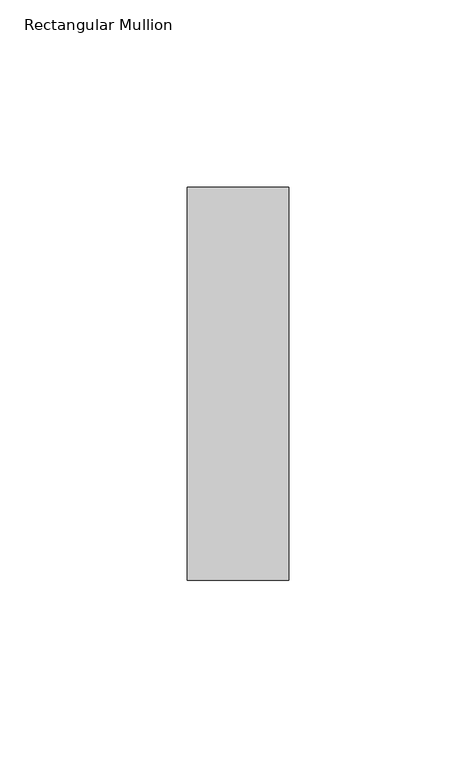
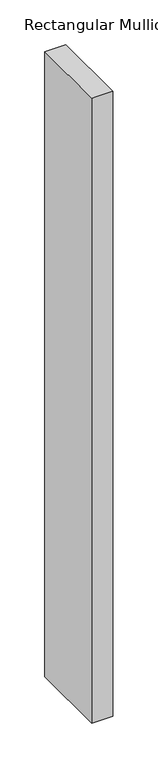
"""IFC4 building model written with IfcOpenShell, lengths in millimetres: member geometry, Rectangular Mullion."""

from ifc_helpers import new_model, si_unit, frame, origin, place, context, project, spatial, polyline, outline, extrude, source, transform, mapped, element, save


def rectangular_mullion_c3c1da6f(model_context):
    return source(origin(), model_context, "Body", "SweptSolid", [
        extrude(outline(polyline([(-27.0, 52.3975), (0.0, 52.3975), (0.0, -52.3975), (-27.0, -52.3975), (-27.0, 52.3975)])), frame((0.0, 0.0, -850.6875), z_axis=(0.0, 0.0, 1.0), x_axis=(1.0, 0.0, 0.0)), (0.0, 0.0, 1.0), 850.6875),
    ])


if __name__ == "__main__":
    model = new_model("IFC4")
    model_context = context("Model", 3, world=origin())
    ifc_project = project(units=[si_unit("LENGTHUNIT", "METRE", prefix="MILLI")], contexts=[model_context])
    site = spatial("IfcSite", under=ifc_project)
    building = spatial("IfcBuilding", under=site)
    placement = place(None, origin())
    rectangular_mullion_shape = rectangular_mullion_c3c1da6f(model_context)
    element("IfcMember", 1, ObjectType="Rectangular Mullion", at=placement, inside=building, context=model_context, shape_type="MappedRepresentation", body=[
        mapped(rectangular_mullion_shape, transform((0.0, 0.0, 0.0), x_axis=(1.0, 0.0, 0.0), y_axis=(0.0, 1.0, 0.0), z_axis=(0.0, 0.0, 1.0))),
    ])
    save(model, "model.ifc")
